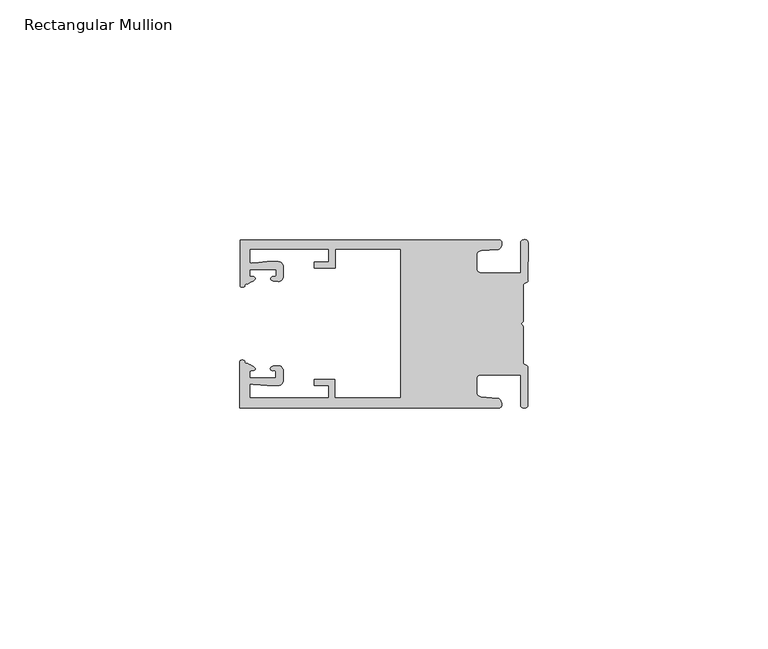
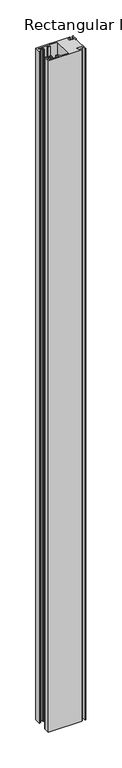
"""IFC4 building model written with IfcOpenShell, lengths in millimetres: member geometry, Rectangular Mullion."""

from ifc_helpers import new_model, si_unit, frame, origin, place, context, project, spatial, circle_curve, source, transform, mapped, element, save
from ifc_brep_helpers import plane_surface, cylinder_surface, extruded_surface, spline_curve, advanced_brep


def rectangular_mullion_45af18df(model_context):
    return source(origin(), model_context, "Body", "AdvancedBrep", [
        advanced_brep(
        [(-60.0749377, 17.5111528, 0.0), (-60.0749377, 8.0140787, 0.0), (-59.3252567, 7.7187455, 0.0), (-58.4967974, 8.36785, 0.0), (-58.0726619, 10.1173923, 0.0), (-58.0713101, 11.3673916, 0.0), (-52.5713133, 11.3614437, 0.0), (-52.5726651, 10.1114444, 0.0), (-53.1427626, 8.8955539, 0.0), (-52.0740172, 8.8609044, 0.0), (-51.0729364, 9.8598224, 0.0), (-51.0706653, 11.9598211, 0.0), (-52.0700692, 12.9609024, 0.0), (-54.3905105, 12.9622843, 0.0), (-57.1599646, 12.7230061, 0.0), (-58.0696339, 12.9173907, 0.0), (-58.066768, 15.5673891, 0.0), (-41.5667584, 15.5673891, 0.0), (-41.5695894, 12.9495468, 0.0), (-44.5695877, 12.9527912, 0.0), (-44.5709936, 11.6527919, 0.0), (-40.2709961, 11.6481417, 0.0), (-40.2667576, 15.5673891, 0.0), (-26.6002952, 15.5673891, 0.0), (-26.6002952, -15.4518424, 0.0), (-40.3003032, -15.4518424, 0.0), (-40.2960856, -11.5518447, 0.0), (-44.5960831, -11.5471945, 0.0), (-44.597489, -12.8471938, 0.0), (-41.5974907, -12.8504381, 0.0), (-41.6003025, -15.4504366, 0.0), (-58.1002928, -15.4325927, 0.0), (-58.097427, -12.7825943, 0.0), (-57.1873395, -12.5901776, 0.0), (-54.4184094, -12.8354453, 0.0), (-52.0979705, -12.8390822, 0.0), (-51.0964037, -11.8401649, 0.0), (-51.0941327, -9.7401662, 0.0), (-52.0930507, -8.7390853, 0.0), (-53.1618685, -8.7714231, 0.0), (-52.5944022, -9.9885439, 0.0), (-52.595754, -11.2385431, 0.0), (-58.0957508, -11.2325952, 0.0), (-58.094399, -9.9825959, 0.0), (-58.5147494, -8.2321403, 0.0), (-59.3418028, -7.5812455, 0.0), (-60.0921208, -7.8749565, 0.0), (-60.0921208, -17.4888267, 0.0), (-6.1024861, -17.4888267, 0.0), (-6.5218639, -15.488372, 0.0), (-9.8784944, -15.2205466, 0.0), (-10.7989567, -14.2226333, 0.0), (-10.7961029, -11.5837474, 0.0), (-9.8734844, -10.5878272, 0.0), (-1.5950266, -10.5934991, 0.0), (-1.601948, -16.9936935, 0.0), (-0.1017194, -16.7830581, 0.0), (-0.0933208, -9.0170082, 0.0), (-1.0923837, -8.1499018, 0.0), (-1.0842165, -0.5977972, 0.0), (-1.0829111, 0.6093089, 0.0), (-1.0747439, 8.1614135, 0.0), (-0.0738079, 9.026357, 0.0), (-0.0654093, 16.7924069, 0.0), (-1.5651789, 17.0062866, 0.0), (-1.5651789, 10.6183257, 0.0), (-9.8505511, 10.6183257, 0.0), (-10.7710133, 11.6162391, 0.0), (-10.7681595, 14.255125, 0.0), (-9.845541, 15.2510452, 0.0), (-6.4883391, 15.5116099, 0.0), (-6.0646356, 17.5111528, 0.0), (-60.0749377, 17.5111528, -1142.5000002), (-6.0646356, 17.5111528, -1142.5000002), (-6.4883391, 15.5116099, -1142.5000002), (-9.845541, 15.2510452, -1142.5000002), (-10.7681595, 14.255125, -1142.5000002), (-10.7710133, 11.6162391, -1142.5000002), (-9.8505511, 10.6183257, -1142.5000002), (-1.5651789, 10.6183257, -1142.5000002), (-1.5651789, 17.0062866, -1142.5000002), (-0.0654093, 16.7924069, -1142.5000002), (-0.0738079, 9.026357, -1142.5000002), (-1.0747439, 8.1614135, -1142.5000002), (-1.0829111, 0.6093089, -1142.5000002), (-1.0842165, -0.5977972, -1142.5000002), (-1.0923837, -8.1499018, -1142.5000002), (-0.0933208, -9.0170082, -1142.5000002), (-0.1017194, -16.7830581, -1142.5000002), (-1.601948, -16.9936935, -1142.5000002), (-1.5950266, -10.5934991, -1142.5000002), (-9.8734844, -10.5878272, -1142.5000002), (-10.7961029, -11.5837474, -1142.5000002), (-10.7989567, -14.2226333, -1142.5000002), (-9.8784944, -15.2205466, -1142.5000002), (-6.5218639, -15.488372, -1142.5000002), (-6.1024861, -17.4888267, -1142.5000002), (-60.0921208, -17.4888267, -1142.5000002), (-60.0921208, -7.8749565, -1142.5000002), (-59.3418028, -7.5812455, -1142.5000002), (-58.5147494, -8.2321403, -1142.5000002), (-58.094399, -9.9825959, -1142.5000002), (-58.0957508, -11.2325952, -1142.5000002), (-52.595754, -11.2385431, -1142.5000002), (-52.5944022, -9.9885439, -1142.5000002), (-53.1618685, -8.7714231, -1142.5000002), (-52.0930507, -8.7390853, -1142.5000002), (-51.0941327, -9.7401662, -1142.5000002), (-51.0964037, -11.8401649, -1142.5000002), (-52.0979705, -12.8390823, -1142.5000002), (-54.4184094, -12.8354453, -1142.5000002), (-57.1873395, -12.5901776, -1142.5000002), (-58.097427, -12.7825943, -1142.5000002), (-58.1002928, -15.4325927, -1142.5000002), (-41.6003025, -15.4504366, -1142.5000002), (-41.5974907, -12.8504381, -1142.5000002), (-44.597489, -12.8471938, -1142.5000002), (-44.5960831, -11.5471945, -1142.5000002), (-40.2960856, -11.5518447, -1142.5000002), (-40.3003032, -15.4518424, -1142.5000002), (-26.6002952, -15.4518424, -1142.5000002), (-26.6002952, 15.5673891, -1142.5000002), (-40.2667576, 15.5673891, -1142.5000002), (-40.2709961, 11.6481417, -1142.5000002), (-44.5709936, 11.6527919, -1142.5000002), (-44.5695877, 12.9527912, -1142.5000002), (-41.5695894, 12.9495468, -1142.5000002), (-41.5667584, 15.5673891, -1142.5000002), (-58.066768, 15.5673891, -1142.5000002), (-58.0696339, 12.9173907, -1142.5000002), (-57.1599646, 12.7230061, -1142.5000002), (-54.3905105, 12.9622843, -1142.5000002), (-52.0700692, 12.9609023, -1142.5000002), (-51.0706653, 11.9598211, -1142.5000002), (-51.0729364, 9.8598224, -1142.5000002), (-52.0740172, 8.8609044, -1142.5000002), (-53.1427626, 8.8955539, -1142.5000002), (-52.5726651, 10.1114444, -1142.5000002), (-52.5713133, 11.3614437, -1142.5000002), (-58.0713101, 11.3673916, -1142.5000002), (-58.0726619, 10.1173923, -1142.5000002), (-58.4967974, 8.36785, -1142.5000002), (-59.3252567, 7.7187455, -1142.5000002), (-60.0749377, 8.0140787, -1142.5000002)],
        [
            (0, 1),
            (1, 2, spline_curve(3, [(-60.0749377, 8.0140787, 0.0), (-60.075233123, 7.740904774, 0.0), (-59.825339491, 7.642460332, 0.0), (-59.3252567, 7.7187455, 0.0)], [4, 4], [0.0, 0.0019169337574178654])),
            (2, 3, spline_curve(3, [(-59.3252567, 7.7187455, 0.0), (-59.094460914, 7.75918372, 0.0), (-59.054835463, 7.902257199, 0.0), (-59.05559987, 8.233305614, 0.0), (-59.138729113, 8.4134359, 0.0), (-58.4967974, 8.36785, 0.0)], [4, 2, 4], [0.0, 0.0010199524164107188, 0.0024874514725970356])),
            (3, 4, spline_curve(3, [(-58.4967974, 8.36785, 0.0), (-57.022393378, 9.053435667, 0.0), (-56.827266887, 9.364828726, 0.0), (-56.982213078, 9.742623404, 0.0), (-57.177375211, 9.855581791, 0.0), (-57.697928101, 9.887955071, 0.0), (-57.997449153, 9.835475348, 0.0), (-58.0726619, 10.1173923, 0.0)], [4, 2, 2, 4], [0.0, 0.003269869179570428, 0.005490050486237203, 0.0073545767114364426])),
            (4, 5),
            (5, 6),
            (6, 7),
            (7, 8, spline_curve(3, [(-52.5726651, 10.1114444, 0.0), (-52.667195519, 9.760172042, 0.0), (-52.937094388, 9.861877724, 0.0), (-53.356237032, 9.895631753, 0.0), (-53.491940439, 9.811038713, 0.0), (-53.761900775, 9.511438033, 0.0), (-53.892893546, 9.278787104, 0.0), (-53.1427626, 8.8955539, 0.0)], [4, 2, 2, 4], [0.0, 0.001593963049934732, 0.0033360256320283306, 0.005339140673503943])),
            (8, 9),
            (9, 10, circle_curve(frame((-52.0729358, 9.8609038, 0.0), z_axis=(0.0, 0.0, 1.0), x_axis=(-0.0010814451158600304, -0.9999994152380598, 0.0)), 1.0)),
            (10, 11),
            (11, 12, circle_curve(frame((-52.0706647, 11.9609026, 0.0), z_axis=(0.0, 0.0, 1.0), x_axis=(-0.0010814451158600304, -0.9999994152380598, 0.0)), 1.0)),
            (12, 13),
            (13, 14),
            (14, 15, spline_curve(3, [(-57.1599646, 12.7230061, 0.0), (-57.631533854, 12.682262968, 0.0), (-58.018602985, 12.477800124, 0.0), (-58.0696339, 12.9173907, 0.0)], [4, 4], [0.0, 0.0014803385355886016])),
            (15, 16),
            (16, 17),
            (17, 18),
            (18, 19),
            (19, 20),
            (20, 21),
            (21, 22),
            (22, 23),
            (23, 24),
            (24, 25),
            (25, 26),
            (26, 27),
            (27, 28),
            (28, 29),
            (29, 30),
            (30, 31),
            (31, 32),
            (32, 33, spline_curve(3, [(-58.097427, -12.7825943, 0.0), (-58.045445419, -12.343115126, 0.0), (-57.658819528, -12.548414611, 0.0), (-57.1873395, -12.5901776, 0.0)], [4, 4], [0.0, 0.0014803385355886016])),
            (33, 34),
            (34, 35),
            (35, 36, circle_curve(frame((-52.0964031, -11.8390835, 0.0), z_axis=(0.0, 0.0, 1.0), x_axis=(0.0010814451158600304, 0.9999994152380598, 0.0)), 1.0)),
            (36, 37),
            (37, 38, circle_curve(frame((-52.0941321, -9.7390847, 0.0), z_axis=(0.0, 0.0, 1.0), x_axis=(0.0010814451158600304, 0.9999994152380598, 0.0)), 1.0)),
            (38, 39),
            (39, 40, spline_curve(3, [(-53.1618685, -8.7714231, 0.0), (-53.912826582, -9.153032958, 0.0), (-53.782337352, -9.385966711, 0.0), (-53.51302565, -9.686150585, 0.0), (-53.377505444, -9.771037009, 0.0), (-52.958290774, -9.738189618, 0.0), (-52.688172635, -9.637067904, 0.0), (-52.5944022, -9.9885439, 0.0)], [4, 2, 2, 4], [0.0, 0.002003115041475612, 0.0037451776235692107, 0.005339140673503943])),
            (40, 41),
            (41, 42),
            (42, 43),
            (43, 44, spline_curve(3, [(-58.094399, -9.9825959, 0.0), (-58.018576674, -9.700842284, 0.0), (-57.719169706, -9.753969703, 0.0), (-57.198548014, -9.722722397, 0.0), (-57.003142178, -9.61018632, 0.0), (-56.847379222, -9.232727657, 0.0), (-57.041831673, -8.920913336, 0.0), (-58.5147494, -8.2321403, 0.0)], [4, 2, 2, 4], [0.0, 0.0018645262251992395, 0.004084707531866015, 0.0073545767114364426])),
            (44, 45, spline_curve(3, [(-58.5147494, -8.2321403, 0.0), (-59.156778208, -8.276337666, 0.0), (-59.073259494, -8.096387681, 0.0), (-59.071779067, -7.765341694, 0.0), (-59.111095017, -7.622182811, 0.0), (-59.3418028, -7.5812455, 0.0)], [4, 2, 4], [0.0, 0.0014674990561863168, 0.0024874514725970356])),
            (45, 46, spline_curve(3, [(-59.3418028, -7.5812455, 0.0), (-59.841719425, -7.503878887, 0.0), (-60.091825377, -7.601782574, 0.0), (-60.0921208, -7.8749565, 0.0)], [4, 4], [0.0, 0.0019169337574178654])),
            (46, 47),
            (47, 48),
            (48, 49, spline_curve(3, [(-6.1024861, -17.4888267, 0.0), (-5.074532184, -17.418062188, 0.0), (-5.631140689, -15.411414367, 0.0), (-6.5218639, -15.488372, 0.0)], [4, 4], [0.0, 0.0043819361547461745])),
            (49, 50),
            (50, 51, spline_curve(3, [(-9.8784944, -15.2205466, 0.0), (-10.440691543, -15.150698463, 0.0), (-10.74751234, -14.818060727, 0.0), (-10.7989567, -14.2226333, 0.0)], [4, 4], [0.0, 0.0028645797420738927])),
            (51, 52),
            (52, 53, spline_curve(3, [(-10.7961029, -11.5837474, 0.0), (-10.743370817, -10.988432634, 0.0), (-10.435831301, -10.656459204, 0.0), (-9.8734844, -10.5878272, 0.0)], [4, 4], [0.0, 0.0028645797420738927])),
            (53, 54),
            (54, 55),
            (55, 56, spline_curve(3, [(-1.601948, -16.9936935, 0.0), (-1.655676874, -17.600261454, 0.0), (-0.043737403, -17.912795581, 0.0), (-0.1017194, -16.7830581, 0.0)], [4, 4], [0.0, 0.0036987374396357936])),
            (56, 57),
            (57, 58, spline_curve(3, [(-0.0933208, -9.0170082, 0.0), (-0.018818183, -8.695886697, 0.0), (-1.193434327, -8.459763043, 0.0), (-1.0923837, -8.1499018, 0.0)], [4, 4], [0.0, 0.002027216749630121])),
            (58, 59),
            (59, 60, spline_curve(3, [(-1.0842165, -0.5977972, 0.0), (-1.013223198, -0.445980437, 0.0), (-1.487945123, -0.206736825, 0.0), (-1.487409651, 0.231097965, 0.0), (-0.999110985, 0.429090391, 0.0), (-1.0829111, 0.6093089, 0.0)], [4, 2, 4], [0.0, 0.00249866671847065, 0.005031402919736269])),
            (60, 61),
            (61, 62, spline_curve(3, [(-1.0747439, 8.1614135, 0.0), (-1.175124095, 8.47149258, 0.0), (-7e-09, 8.705075107, 0.0), (-0.0738079, 9.026357, 0.0)], [4, 4], [0.0, 0.002027216749630121])),
            (62, 63),
            (63, 64, spline_curve(3, [(-0.0654093, 16.7924069, 0.0), (-0.004983942, 17.92201633, 0.0), (-1.617595709, 17.612969344, 0.0), (-1.5651789, 17.0062866, 0.0)], [4, 4], [0.0, 0.0036987374396357936])),
            (64, 65),
            (65, 66),
            (66, 67, spline_curve(3, [(-9.8505511, 10.6183257, 0.0), (-10.412748243, 10.688173837, 0.0), (-10.71956894, 11.020811673, 0.0), (-10.7710133, 11.6162391, 0.0)], [4, 4], [0.0, 0.0028645797420738927])),
            (67, 68),
            (68, 69, spline_curve(3, [(-10.7681595, 14.255125, 0.0), (-10.715427417, 14.850439766, 0.0), (-10.407887901, 15.182413196, 0.0), (-9.845541, 15.2510452, 0.0)], [4, 4], [0.0, 0.0028645797420738927])),
            (69, 70),
            (70, 71, spline_curve(3, [(-6.4883391, 15.5116099, 0.0), (-5.597784423, 15.432725911, 0.0), (-5.036837144, 17.438165103, 0.0), (-6.0646356, 17.5111528, 0.0)], [4, 4], [0.0, 0.0043819361547461745])),
            (71, 0),
            (72, 73),
            (73, 74, spline_curve(3, [(-6.0646356, 17.5111528, -1142.5000002), (-5.036837144, 17.438165103, -1142.5000002), (-5.597784423, 15.432725911, -1142.5000002), (-6.4883391, 15.5116099, -1142.5000002)], [4, 4], [0.0, 0.0043819361547461745])),
            (74, 75),
            (75, 76, spline_curve(3, [(-9.845541, 15.2510452, -1142.5000002), (-10.407887901, 15.182413196, -1142.5000002), (-10.715427417, 14.850439766, -1142.5000002), (-10.7681595, 14.255125, -1142.5000002)], [4, 4], [0.0, 0.0028645797420738927])),
            (76, 77),
            (77, 78, spline_curve(3, [(-10.7710133, 11.6162391, -1142.5000002), (-10.71956894, 11.020811673, -1142.5000002), (-10.412748243, 10.688173837, -1142.5000002), (-9.8505511, 10.6183257, -1142.5000002)], [4, 4], [0.0, 0.0028645797420738927])),
            (78, 79),
            (79, 80),
            (80, 81, spline_curve(3, [(-1.5651789, 17.0062866, -1142.5000002), (-1.617595709, 17.612969344, -1142.5000002), (-0.004983942, 17.92201633, -1142.5000002), (-0.0654093, 16.7924069, -1142.5000002)], [4, 4], [0.0, 0.0036987374396357936])),
            (81, 82),
            (82, 83, spline_curve(3, [(-0.0738079, 9.026357, -1142.5000002), (-7e-09, 8.705075107, -1142.5000002), (-1.175124095, 8.47149258, -1142.5000002), (-1.0747439, 8.1614135, -1142.5000002)], [4, 4], [0.0, 0.002027216749630121])),
            (83, 84),
            (84, 85, spline_curve(3, [(-1.0829111, 0.6093089, -1142.5000002), (-0.999110985, 0.429090391, -1142.5000002), (-1.487409651, 0.231097965, -1142.5000002), (-1.487945123, -0.206736825, -1142.5000002), (-1.013223198, -0.445980437, -1142.5000002), (-1.0842165, -0.5977972, -1142.5000002)], [4, 2, 4], [0.0, 0.002532736201265619, 0.005031402919736269])),
            (85, 86),
            (86, 87, spline_curve(3, [(-1.0923837, -8.1499018, -1142.5000002), (-1.193434327, -8.459763043, -1142.5000002), (-0.018818183, -8.695886697, -1142.5000002), (-0.0933208, -9.0170082, -1142.5000002)], [4, 4], [0.0, 0.002027216749630121])),
            (87, 88),
            (88, 89, spline_curve(3, [(-0.1017194, -16.7830581, -1142.5000002), (-0.043737403, -17.912795581, -1142.5000002), (-1.655676874, -17.600261454, -1142.5000002), (-1.601948, -16.9936935, -1142.5000002)], [4, 4], [0.0, 0.0036987374396357936])),
            (89, 90),
            (90, 91),
            (91, 92, spline_curve(3, [(-9.8734844, -10.5878272, -1142.5000002), (-10.435831301, -10.656459204, -1142.5000002), (-10.743370817, -10.988432634, -1142.5000002), (-10.7961029, -11.5837474, -1142.5000002)], [4, 4], [0.0, 0.0028645797420738927])),
            (92, 93),
            (93, 94, spline_curve(3, [(-10.7989567, -14.2226333, -1142.5000002), (-10.74751234, -14.818060727, -1142.5000002), (-10.440691543, -15.150698463, -1142.5000002), (-9.8784944, -15.2205466, -1142.5000002)], [4, 4], [0.0, 0.0028645797420738927])),
            (94, 95),
            (95, 96, spline_curve(3, [(-6.5218639, -15.488372, -1142.5000002), (-5.631140689, -15.411414367, -1142.5000002), (-5.074532184, -17.418062188, -1142.5000002), (-6.1024861, -17.4888267, -1142.5000002)], [4, 4], [0.0, 0.0043819361547461745])),
            (96, 97),
            (97, 98),
            (98, 99, spline_curve(3, [(-60.0921208, -7.8749565, -1142.5000002), (-60.091825377, -7.601782574, -1142.5000002), (-59.841719425, -7.503878887, -1142.5000002), (-59.3418028, -7.5812455, -1142.5000002)], [4, 4], [0.0, 0.0019169337574178654])),
            (99, 100, spline_curve(3, [(-59.3418028, -7.5812455, -1142.5000002), (-59.111095017, -7.622182811, -1142.5000002), (-59.071779067, -7.765341694, -1142.5000002), (-59.073259494, -8.096387681, -1142.5000002), (-59.156778208, -8.276337666, -1142.5000002), (-58.5147494, -8.2321403, -1142.5000002)], [4, 2, 4], [0.0, 0.0010199524164107188, 0.0024874514725970356])),
            (100, 101, spline_curve(3, [(-58.5147494, -8.2321403, -1142.5000002), (-57.041831673, -8.920913336, -1142.5000002), (-56.847379222, -9.232727657, -1142.5000002), (-57.003142178, -9.61018632, -1142.5000002), (-57.198548014, -9.722722397, -1142.5000002), (-57.719169706, -9.753969703, -1142.5000002), (-58.018576674, -9.700842284, -1142.5000002), (-58.094399, -9.9825959, -1142.5000002)], [4, 2, 2, 4], [0.0, 0.003269869179570428, 0.005490050486237203, 0.0073545767114364426])),
            (101, 102),
            (102, 103),
            (103, 104),
            (104, 105, spline_curve(3, [(-52.5944022, -9.9885439, -1142.5000002), (-52.688172635, -9.637067904, -1142.5000002), (-52.958290774, -9.738189618, -1142.5000002), (-53.377505444, -9.771037009, -1142.5000002), (-53.51302565, -9.686150585, -1142.5000002), (-53.782337352, -9.385966711, -1142.5000002), (-53.912826582, -9.153032958, -1142.5000002), (-53.1618685, -8.7714231, -1142.5000002)], [4, 2, 2, 4], [0.0, 0.001593963049934732, 0.0033360256320283306, 0.005339140673503943])),
            (105, 106),
            (106, 107, circle_curve(frame((-52.0941321, -9.7390847, -1142.5000002), z_axis=(0.0, 0.0, -1.0), x_axis=(0.0010814451158600304, 0.9999994152380598, 0.0)), 1.0)),
            (107, 108),
            (108, 109, circle_curve(frame((-52.0964031, -11.8390835, -1142.5000002), z_axis=(0.0, 0.0, -1.0), x_axis=(0.0010814451158600304, 0.9999994152380598, 0.0)), 1.0)),
            (109, 110),
            (110, 111),
            (111, 112, spline_curve(3, [(-57.1873395, -12.5901776, -1142.5000002), (-57.658819528, -12.548414611, -1142.5000002), (-58.045445419, -12.343115126, -1142.5000002), (-58.097427, -12.7825943, -1142.5000002)], [4, 4], [0.0, 0.0014803385355886016])),
            (112, 113),
            (113, 114),
            (114, 115),
            (115, 116),
            (116, 117),
            (117, 118),
            (118, 119),
            (119, 120),
            (120, 121),
            (121, 122),
            (122, 123),
            (123, 124),
            (124, 125),
            (125, 126),
            (126, 127),
            (127, 128),
            (128, 129),
            (129, 130, spline_curve(3, [(-58.0696339, 12.9173907, -1142.5000002), (-58.018602985, 12.477800124, -1142.5000002), (-57.631533854, 12.682262968, -1142.5000002), (-57.1599646, 12.7230061, -1142.5000002)], [4, 4], [0.0, 0.0014803385355886016])),
            (130, 131),
            (131, 132),
            (132, 133, circle_curve(frame((-52.0706647, 11.9609026, -1142.5000002), z_axis=(0.0, 0.0, -1.0), x_axis=(-0.0010814451158600304, -0.9999994152380598, 0.0)), 1.0)),
            (133, 134),
            (134, 135, circle_curve(frame((-52.0729358, 9.8609038, -1142.5000002), z_axis=(0.0, 0.0, -1.0), x_axis=(-0.0010814451158600304, -0.9999994152380598, 0.0)), 1.0)),
            (135, 136),
            (136, 137, spline_curve(3, [(-53.1427626, 8.8955539, -1142.5000002), (-53.892893546, 9.278787104, -1142.5000002), (-53.761900775, 9.511438033, -1142.5000002), (-53.491940439, 9.811038713, -1142.5000002), (-53.356237032, 9.895631753, -1142.5000002), (-52.937094388, 9.861877724, -1142.5000002), (-52.667195519, 9.760172042, -1142.5000002), (-52.5726651, 10.1114444, -1142.5000002)], [4, 2, 2, 4], [0.0, 0.002003115041475612, 0.0037451776235692107, 0.005339140673503943])),
            (137, 138),
            (138, 139),
            (139, 140),
            (140, 141, spline_curve(3, [(-58.0726619, 10.1173923, -1142.5000002), (-57.997449153, 9.835475348, -1142.5000002), (-57.697928101, 9.887955071, -1142.5000002), (-57.177375211, 9.855581791, -1142.5000002), (-56.982213078, 9.742623404, -1142.5000002), (-56.827266887, 9.364828726, -1142.5000002), (-57.022393378, 9.053435667, -1142.5000002), (-58.4967974, 8.36785, -1142.5000002)], [4, 2, 2, 4], [0.0, 0.0018645262251992395, 0.004084707531866015, 0.0073545767114364426])),
            (141, 142, spline_curve(3, [(-58.4967974, 8.36785, -1142.5000002), (-59.138729113, 8.4134359, -1142.5000002), (-59.05559987, 8.233305614, -1142.5000002), (-59.054835463, 7.902257199, -1142.5000002), (-59.094460914, 7.75918372, -1142.5000002), (-59.3252567, 7.7187455, -1142.5000002)], [4, 2, 4], [0.0, 0.0014674990561863168, 0.0024874514725970356])),
            (142, 143, spline_curve(3, [(-59.3252567, 7.7187455, -1142.5000002), (-59.825339491, 7.642460332, -1142.5000002), (-60.075233123, 7.740904774, -1142.5000002), (-60.0749377, 8.0140787, -1142.5000002)], [4, 4], [0.0, 0.0019169337574178654])),
            (143, 72),
            (0, 72),
            (143, 1),
            (142, 2),
            (141, 3),
            (140, 4),
            (139, 5),
            (138, 6),
            (137, 7),
            (136, 8),
            (135, 9),
            (134, 10),
            (133, 11),
            (132, 12),
            (131, 13),
            (130, 14),
            (129, 15),
            (128, 16),
            (127, 17),
            (126, 18),
            (125, 19),
            (124, 20),
            (123, 21),
            (122, 22),
            (121, 23),
            (120, 24),
            (119, 25),
            (118, 26),
            (117, 27),
            (116, 28),
            (115, 29),
            (114, 30),
            (113, 31),
            (112, 32),
            (111, 33),
            (110, 34),
            (109, 35),
            (108, 36),
            (107, 37),
            (106, 38),
            (105, 39),
            (104, 40),
            (103, 41),
            (102, 42),
            (101, 43),
            (100, 44),
            (99, 45),
            (98, 46),
            (97, 47),
            (96, 48),
            (95, 49),
            (94, 50),
            (93, 51),
            (92, 52),
            (91, 53),
            (90, 54),
            (89, 55),
            (88, 56),
            (87, 57),
            (86, 58),
            (85, 59),
            (84, 60),
            (83, 61),
            (82, 62),
            (81, 63),
            (80, 64),
            (79, 65),
            (78, 66),
            (77, 67),
            (76, 68),
            (75, 69),
            (74, 70),
            (73, 71),
        ],
        [
            plane_surface(frame((0.0, -62.5853181, 0.0), z_axis=(0.0, 0.0, 1.0), x_axis=(-1.0, 0.0, 0.0))),
            plane_surface(frame((0.0, -62.5853181, -1142.5000002), z_axis=(0.0, 0.0, -1.0), x_axis=(-1.0, 0.0, 0.0))),
            plane_surface(frame((-60.0749377, 17.5111528, 0.0), z_axis=(-1.0, 0.0, 0.0), x_axis=(0.0, 0.0, -1.0))),
            extruded_surface(spline_curve(3, [(-60.0749377, 8.0140787, -1142.5000002), (-60.075233123, 7.740904774, -1142.5000002), (-59.825339491, 7.642460332, -1142.5000002), (-59.3252567, 7.7187455, -1142.5000002)], [4, 4], [0.0, 0.0019169337574178654]), (0.0, 0.0, 1142.5000002), 1142.5000002),
            extruded_surface(spline_curve(3, [(-59.3252567, 7.7187455, -1142.5000002), (-59.094460914, 7.75918372, -1142.5000002), (-59.054835463, 7.902257199, -1142.5000002), (-59.05559987, 8.233305614, -1142.5000002), (-59.138729113, 8.4134359, -1142.5000002), (-58.4967974, 8.36785, -1142.5000002)], [4, 2, 4], [0.0, 0.0010199524164107188, 0.0024874514725970356]), (0.0, 0.0, 1142.5000002), 1142.5000002),
            extruded_surface(spline_curve(3, [(-58.4967974, 8.36785, -1142.5000002), (-57.022393378, 9.053435667, -1142.5000002), (-56.827266887, 9.364828726, -1142.5000002), (-56.982213078, 9.742623404, -1142.5000002), (-57.177375211, 9.855581791, -1142.5000002), (-57.697928101, 9.887955071, -1142.5000002), (-57.997449153, 9.835475348, -1142.5000002), (-58.0726619, 10.1173923, -1142.5000002)], [4, 2, 2, 4], [0.0, 0.003269869179570428, 0.005490050486237203, 0.0073545767114364426]), (0.0, 0.0, 1142.5000002), 1142.5000002),
            plane_surface(frame((-58.0726619, 10.1173923, 0.0), z_axis=(0.9999994152380598, -0.0010814451158634145, 0.0), x_axis=(0.0, 0.0, -1.0))),
            plane_surface(frame((-58.0713101, 11.3673916, 0.0), z_axis=(-0.0010814451158616418, -0.9999994152380598, 0.0), x_axis=(0.0, 0.0, -1.0))),
            plane_surface(frame((-52.5713133, 11.3614437, 0.0), z_axis=(-0.9999994152380598, 0.0010814451158643293, 0.0), x_axis=(0.0, 0.0, -1.0))),
            extruded_surface(spline_curve(3, [(-52.5726651, 10.1114444, -1142.5000002), (-52.667195519, 9.760172042, -1142.5000002), (-52.937094388, 9.861877724, -1142.5000002), (-53.356237032, 9.895631753, -1142.5000002), (-53.491940439, 9.811038713, -1142.5000002), (-53.761900775, 9.511438033, -1142.5000002), (-53.892893546, 9.278787104, -1142.5000002), (-53.1427626, 8.8955539, -1142.5000002)], [4, 2, 2, 4], [0.0, 0.001593963049934732, 0.0033360256320283306, 0.005339140673503943]), (0.0, 0.0, 1142.5000002), 1142.5000002),
            plane_surface(frame((-53.1427626, 8.8955539, 0.0), z_axis=(-0.032403661401520414, -0.9994748634797054, 0.0), x_axis=(0.0, 0.0, -1.0))),
            cylinder_surface(frame((-52.0729358, 9.8609038, 0.0), z_axis=(0.0, 0.0, 1.0000000000000002), x_axis=(-0.0010814451158600304, -0.9999994152380598, 0.0)), 1.0),
            plane_surface(frame((-51.0729364, 9.8598224, 0.0), z_axis=(0.9999994152380598, -0.001081445115864059, 0.0), x_axis=(0.0, 0.0, -1.0))),
            cylinder_surface(frame((-52.0706647, 11.9609026, 0.0), z_axis=(0.0, 0.0, 1.0000000000000002), x_axis=(-0.0010814451158600304, -0.9999994152380598, 0.0)), 1.0),
            plane_surface(frame((-52.0700692, 12.9609023, 0.0), z_axis=(0.0005955716436318007, 0.999999822647193, 0.0), x_axis=(0.0, 0.0, -1.0))),
            plane_surface(frame((-54.3905105, 12.9622843, 0.0), z_axis=(-0.08607836189159865, 0.9962883697073147, 0.0), x_axis=(0.0, 0.0, -1.0))),
            extruded_surface(spline_curve(3, [(-57.1599646, 12.7230061, -1142.5000002), (-57.631533854, 12.682262968, -1142.5000002), (-58.018602985, 12.477800124, -1142.5000002), (-58.0696339, 12.9173907, -1142.5000002)], [4, 4], [0.0, 0.0014803385355886016]), (0.0, 0.0, 1142.5000002), 1142.5000002),
            plane_surface(frame((-58.0696339, 12.9173907, 0.0), z_axis=(0.9999994152380598, -0.0010814451158629996, 0.0), x_axis=(0.0, 0.0, -1.0))),
            plane_surface(frame((-58.066768, 15.5673891, 0.0), z_axis=(0.0, -1.0, 0.0), x_axis=(0.0, 0.0, -1.0))),
            plane_surface(frame((-41.5667584, 15.5673891, 0.0), z_axis=(-0.9999994152380598, 0.0010814451158636304, 0.0), x_axis=(0.0, 0.0, -1.0))),
            plane_surface(frame((-41.5695894, 12.9495468, 0.0), z_axis=(0.0010814451158615687, 0.9999994152380598, 0.0), x_axis=(0.0, 0.0, -1.0))),
            plane_surface(frame((-44.5695877, 12.9527912, 0.0), z_axis=(-0.9999994152380598, 0.0010814451158626742, 0.0), x_axis=(0.0, 0.0, -1.0))),
            plane_surface(frame((-44.5709936, 11.6527919, 0.0), z_axis=(-0.001081445115861604, -0.9999994152380598, 0.0), x_axis=(0.0, 0.0, -1.0))),
            plane_surface(frame((-40.2709961, 11.6481417, 0.0), z_axis=(0.9999994152380598, -0.001081445115863507, 0.0), x_axis=(0.0, 0.0, -1.0))),
            plane_surface(frame((-40.2667576, 15.5673891, 0.0), z_axis=(0.0, -1.0, 0.0), x_axis=(0.0, 0.0, -1.0))),
            plane_surface(frame((-26.6002952, 15.5673891, 0.0), z_axis=(-1.0, 0.0, 0.0), x_axis=(0.0, 0.0, -1.0))),
            plane_surface(frame((-26.6002952, -15.4518424, 0.0), z_axis=(0.0, 1.0, 0.0), x_axis=(0.0, 0.0, -1.0))),
            plane_surface(frame((-40.3003032, -15.4518424, 0.0), z_axis=(0.9999994152380598, -0.0010814451158565538, 0.0), x_axis=(0.0, 0.0, -1.0))),
            plane_surface(frame((-40.2960856, -11.5518447, 0.0), z_axis=(0.0010814451158584568, 0.9999994152380598, 0.0), x_axis=(0.0, 0.0, -1.0))),
            plane_surface(frame((-44.5960831, -11.5471945, 0.0), z_axis=(-0.9999994152380598, 0.0010814451158573867, 0.0), x_axis=(0.0, 0.0, -1.0))),
            plane_surface(frame((-44.597489, -12.8471938, 0.0), z_axis=(-0.0010814451158584922, -0.9999994152380598, 0.0), x_axis=(0.0, 0.0, -1.0))),
            plane_surface(frame((-41.5974907, -12.8504381, 0.0), z_axis=(-0.9999994152380598, 0.0010814451158564305, 0.0), x_axis=(0.0, 0.0, -1.0))),
            plane_surface(frame((-41.6003025, -15.4504366, 0.0), z_axis=(0.0010814451158583872, 0.9999994152380598, 0.0), x_axis=(0.0, 0.0, -1.0))),
            plane_surface(frame((-58.1002928, -15.4325927, 0.0), z_axis=(0.9999994152380598, -0.0010814451158570612, 0.0), x_axis=(0.0, 0.0, -1.0))),
            extruded_surface(spline_curve(3, [(-58.097427, -12.7825943, -1142.5000002), (-58.045445419, -12.343115126, -1142.5000002), (-57.658819528, -12.548414611, -1142.5000002), (-57.1873395, -12.5901776, -1142.5000002)], [4, 4], [0.0, 0.0014803385355886016]), (0.0, 0.0, 1142.5000002), 1142.5000002),
            plane_surface(frame((-57.1873395, -12.5901776, 0.0), z_axis=(-0.0882330216729926, -0.9960998614026876, 0.0), x_axis=(0.0, 0.0, -1.0))),
            plane_surface(frame((-54.4184094, -12.8354453, 0.0), z_axis=(-0.0015673183327880543, -0.9999987717558677, 0.0), x_axis=(0.0, 0.0, -1.0))),
            cylinder_surface(frame((-52.0964031, -11.8390835, 0.0), z_axis=(0.0, 0.0, 1.0000000000000002), x_axis=(0.0010814451158600304, 0.9999994152380598, 0.0)), 1.0),
            plane_surface(frame((-51.0964037, -11.8401649, 0.0), z_axis=(0.9999994152380598, -0.001081445115856002, 0.0), x_axis=(0.0, 0.0, -1.0))),
            cylinder_surface(frame((-52.0941321, -9.7390847, 0.0), z_axis=(0.0, 0.0, 1.0000000000000002), x_axis=(0.0010814451158600304, 0.9999994152380598, 0.0)), 1.0),
            plane_surface(frame((-52.0930507, -8.7390853, 0.0), z_axis=(-0.030241832452872642, 0.9995426111826812, 0.0), x_axis=(0.0, 0.0, -1.0))),
            extruded_surface(spline_curve(3, [(-53.1618685, -8.7714231, -1142.5000002), (-53.912826582, -9.153032958, -1142.5000002), (-53.782337352, -9.385966711, -1142.5000002), (-53.51302565, -9.686150585, -1142.5000002), (-53.377505444, -9.771037009, -1142.5000002), (-52.958290774, -9.738189618, -1142.5000002), (-52.688172635, -9.637067904, -1142.5000002), (-52.5944022, -9.9885439, -1142.5000002)], [4, 2, 2, 4], [0.0, 0.002003115041475612, 0.0037451776235692107, 0.005339140673503943]), (0.0, 0.0, 1142.5000002), 1142.5000002),
            plane_surface(frame((-52.5944022, -9.9885439, 0.0), z_axis=(-0.9999994152380598, 0.0010814451158557316, 0.0), x_axis=(0.0, 0.0, -1.0))),
            plane_surface(frame((-52.595754, -11.2385431, 0.0), z_axis=(0.001081445115858419, 0.9999994152380598, 0.0), x_axis=(0.0, 0.0, -1.0))),
            plane_surface(frame((-58.0957508, -11.2325952, 0.0), z_axis=(0.9999994152380598, -0.0010814451158566464, 0.0), x_axis=(0.0, 0.0, -1.0))),
            extruded_surface(spline_curve(3, [(-58.094399, -9.9825959, -1142.5000002), (-58.018576674, -9.700842284, -1142.5000002), (-57.719169706, -9.753969703, -1142.5000002), (-57.198548014, -9.722722397, -1142.5000002), (-57.003142178, -9.61018632, -1142.5000002), (-56.847379222, -9.232727657, -1142.5000002), (-57.041831673, -8.920913336, -1142.5000002), (-58.5147494, -8.2321403, -1142.5000002)], [4, 2, 2, 4], [0.0, 0.0018645262251992395, 0.004084707531866015, 0.0073545767114364426]), (0.0, 0.0, 1142.5000002), 1142.5000002),
            extruded_surface(spline_curve(3, [(-58.5147494, -8.2321403, -1142.5000002), (-59.156778208, -8.276337666, -1142.5000002), (-59.073259494, -8.096387681, -1142.5000002), (-59.071779067, -7.765341694, -1142.5000002), (-59.111095017, -7.622182811, -1142.5000002), (-59.3418028, -7.5812455, -1142.5000002)], [4, 2, 4], [0.0, 0.0014674990561863168, 0.0024874514725970356]), (0.0, 0.0, 1142.5000002), 1142.5000002),
            extruded_surface(spline_curve(3, [(-59.3418028, -7.5812455, -1142.5000002), (-59.841719425, -7.503878887, -1142.5000002), (-60.091825377, -7.601782574, -1142.5000002), (-60.0921208, -7.8749565, -1142.5000002)], [4, 4], [0.0, 0.0019169337574178654]), (0.0, 0.0, 1142.5000002), 1142.5000002),
            plane_surface(frame((-60.0921208, -7.8749565, 0.0), z_axis=(-1.0, 0.0, 0.0), x_axis=(0.0, 0.0, -1.0))),
            plane_surface(frame((-60.0921208, -17.4888267, 0.0), z_axis=(0.0, -1.0, 0.0), x_axis=(0.0, 0.0, -1.0))),
            extruded_surface(spline_curve(3, [(-6.1024861, -17.4888267, -1142.5000002), (-5.074532184, -17.418062188, -1142.5000002), (-5.631140689, -15.411414367, -1142.5000002), (-6.5218639, -15.488372, -1142.5000002)], [4, 4], [0.0, 0.0043819361547461745]), (0.0, 0.0, 1142.5000002), 1142.5000002),
            plane_surface(frame((-6.5218639, -15.488372, 0.0), z_axis=(0.07953716124904908, 0.9968319015663789, 0.0), x_axis=(0.0, 0.0, -1.0))),
            extruded_surface(spline_curve(3, [(-9.8784944, -15.2205466, -1142.5000002), (-10.440691543, -15.150698463, -1142.5000002), (-10.74751234, -14.818060727, -1142.5000002), (-10.7989567, -14.2226333, -1142.5000002)], [4, 4], [0.0, 0.0028645797420738927]), (0.0, 0.0, 1142.5000002), 1142.5000002),
            plane_surface(frame((-10.7989567, -14.2226333, 0.0), z_axis=(0.9999994152380598, -0.0010814451158568247, 0.0), x_axis=(0.0, 0.0, -1.0))),
            extruded_surface(spline_curve(3, [(-10.7961029, -11.5837474, -1142.5000002), (-10.743370817, -10.988432634, -1142.5000002), (-10.435831301, -10.656459204, -1142.5000002), (-9.8734844, -10.5878272, -1142.5000002)], [4, 4], [0.0, 0.0028645797420738927]), (0.0, 0.0, 1142.5000002), 1142.5000002),
            plane_surface(frame((-9.8734844, -10.5878272, 0.0), z_axis=(-0.0006851371995361226, -0.9999997652934814, 0.0), x_axis=(0.0, 0.0, -1.0))),
            plane_surface(frame((-1.5950266, -10.5934991, 0.0), z_axis=(-0.9999994152380598, 0.0010814451158568644, 0.0), x_axis=(0.0, 0.0, -1.0))),
            extruded_surface(spline_curve(3, [(-1.601948, -16.9936935, -1142.5000002), (-1.655676874, -17.600261454, -1142.5000002), (-0.043737403, -17.912795581, -1142.5000002), (-0.1017194, -16.7830581, -1142.5000002)], [4, 4], [0.0, 0.0036987374396357936]), (0.0, 0.0, 1142.5000002), 1142.5000002),
            plane_surface(frame((-0.1017194, -16.7830581, 0.0), z_axis=(0.9999994152380598, -0.001081445115856699, 0.0), x_axis=(0.0, 0.0, -1.0))),
            extruded_surface(spline_curve(3, [(-0.0933208, -9.0170082, -1142.5000002), (-0.018818183, -8.695886697, -1142.5000002), (-1.193434327, -8.459763043, -1142.5000002), (-1.0923837, -8.1499018, -1142.5000002)], [4, 4], [0.0, 0.002027216749630121]), (0.0, 0.0, 1142.5000002), 1142.5000002),
            plane_surface(frame((-1.0923837, -8.1499018, 0.0), z_axis=(0.9999994152380598, -0.0010814451158566698, 0.0), x_axis=(0.0, 0.0, -1.0))),
            extruded_surface(spline_curve(3, [(-1.0842165, -0.5977972, -1142.5000002), (-1.013223198, -0.445980437, -1142.5000002), (-1.487945123, -0.206736825, -1142.5000002), (-1.487409651, 0.231097965, -1142.5000002), (-0.999110985, 0.429090391, -1142.5000002), (-1.0829111, 0.6093089, -1142.5000002)], [4, 2, 4], [0.0, 0.00249866671847065, 0.005031402919736269]), (0.0, 0.0, 1142.5000002), 1142.5000002),
            plane_surface(frame((-1.0829111, 0.6093089, 0.0), z_axis=(0.9999994152380598, -0.001081445115863391, 0.0), x_axis=(0.0, 0.0, -1.0))),
            extruded_surface(spline_curve(3, [(-1.0747439, 8.1614135, -1142.5000002), (-1.175124095, 8.47149258, -1142.5000002), (-7e-09, 8.705075107, -1142.5000002), (-0.0738079, 9.026357, -1142.5000002)], [4, 4], [0.0, 0.002027216749630121]), (0.0, 0.0, 1142.5000002), 1142.5000002),
            plane_surface(frame((-0.0738079, 9.026357, 0.0), z_axis=(0.9999994152380598, -0.001081445115863362, 0.0), x_axis=(0.0, 0.0, -1.0))),
            extruded_surface(spline_curve(3, [(-0.0654093, 16.7924069, -1142.5000002), (-0.004983942, 17.92201633, -1142.5000002), (-1.617595709, 17.612969344, -1142.5000002), (-1.5651789, 17.0062866, -1142.5000002)], [4, 4], [0.0, 0.0036987374396357936]), (0.0, 0.0, 1142.5000002), 1142.5000002),
            plane_surface(frame((-1.5651789, 17.0062866, 0.0), z_axis=(-1.0, 0.0, 0.0), x_axis=(0.0, 0.0, -1.0))),
            plane_surface(frame((-1.5651789, 10.6183257, 0.0), z_axis=(0.0, 1.0, 0.0), x_axis=(0.0, 0.0, -1.0))),
            extruded_surface(spline_curve(3, [(-9.8505511, 10.6183257, -1142.5000002), (-10.412748243, 10.688173837, -1142.5000002), (-10.71956894, 11.020811673, -1142.5000002), (-10.7710133, 11.6162391, -1142.5000002)], [4, 4], [0.0, 0.0028645797420738927]), (0.0, 0.0, 1142.5000002), 1142.5000002),
            plane_surface(frame((-10.7710133, 11.6162391, 0.0), z_axis=(0.9999994152380598, -0.0010814451158632362, 0.0), x_axis=(0.0, 0.0, -1.0))),
            extruded_surface(spline_curve(3, [(-10.7681595, 14.255125, -1142.5000002), (-10.715427417, 14.850439766, -1142.5000002), (-10.407887901, 15.182413196, -1142.5000002), (-9.845541, 15.2510452, -1142.5000002)], [4, 4], [0.0, 0.0028645797420738927]), (0.0, 0.0, 1142.5000002), 1142.5000002),
            plane_surface(frame((-9.845541, 15.2510452, 0.0), z_axis=(0.07738093848608862, -0.9970015999781607, 0.0), x_axis=(0.0, 0.0, -1.0))),
            extruded_surface(spline_curve(3, [(-6.4883391, 15.5116099, -1142.5000002), (-5.597784423, 15.432725911, -1142.5000002), (-5.036837144, 17.438165103, -1142.5000002), (-6.0646356, 17.5111528, -1142.5000002)], [4, 4], [0.0, 0.0043819361547461745]), (0.0, 0.0, 1142.5000002), 1142.5000002),
            plane_surface(frame((-6.0646356, 17.5111528, 0.0), z_axis=(0.0, 1.0, 0.0), x_axis=(0.0, 0.0, -1.0))),
        ],
        [
            (0, [[1, 2, 3, 4, 5, 6, 7, 8, 9, 10, 11, 12, 13, 14, 15, 16, 17, 18, 19, 20, 21, 22, 23, 24, 25, 26, 27, 28, 29, 30, 31, 32, 33, 34, 35, 36, 37, 38, 39, 40, 41, 42, 43, 44, 45, 46, 47, 48, 49, 50, 51, 52, 53, 54, 55, 56, 57, 58, 59, 60, 61, 62, 63, 64, 65, 66, 67, 68, 69, 70, 71, 72]]),
            (1, [[73, 74, 75, 76, 77, 78, 79, 80, 81, 82, 83, 84, 85, 86, 87, 88, 89, 90, 91, 92, 93, 94, 95, 96, 97, 98, 99, 100, 101, 102, 103, 104, 105, 106, 107, 108, 109, 110, 111, 112, 113, 114, 115, 116, 117, 118, 119, 120, 121, 122, 123, 124, 125, 126, 127, 128, 129, 130, 131, 132, 133, 134, 135, 136, 137, 138, 139, 140, 141, 142, 143, 144]]),
            (2, [[-1, 145, -144, 146]]),
            (3, [[-2, -146, -143, 147]]),
            (4, [[-3, -147, -142, 148]]),
            (5, [[-4, -148, -141, 149]]),
            (6, [[-5, -149, -140, 150]]),
            (7, [[-6, -150, -139, 151]]),
            (8, [[-7, -151, -138, 152]]),
            (9, [[-8, -152, -137, 153]]),
            (10, [[-9, -153, -136, 154]]),
            (11, [[-10, -154, -135, 155]]),
            (12, [[-11, -155, -134, 156]]),
            (13, [[-12, -156, -133, 157]]),
            (14, [[-13, -157, -132, 158]]),
            (15, [[-14, -158, -131, 159]]),
            (16, [[-15, -159, -130, 160]]),
            (17, [[-16, -160, -129, 161]]),
            (18, [[-17, -161, -128, 162]]),
            (19, [[-18, -162, -127, 163]]),
            (20, [[-19, -163, -126, 164]]),
            (21, [[-20, -164, -125, 165]]),
            (22, [[-21, -165, -124, 166]]),
            (23, [[-22, -166, -123, 167]]),
            (24, [[-23, -167, -122, 168]]),
            (25, [[-24, -168, -121, 169]]),
            (26, [[-25, -169, -120, 170]]),
            (27, [[-26, -170, -119, 171]]),
            (28, [[-27, -171, -118, 172]]),
            (29, [[-28, -172, -117, 173]]),
            (30, [[-29, -173, -116, 174]]),
            (31, [[-30, -174, -115, 175]]),
            (32, [[-31, -175, -114, 176]]),
            (33, [[-32, -176, -113, 177]]),
            (34, [[-33, -177, -112, 178]]),
            (35, [[-34, -178, -111, 179]]),
            (36, [[-35, -179, -110, 180]]),
            (37, [[-36, -180, -109, 181]]),
            (38, [[-37, -181, -108, 182]]),
            (39, [[-38, -182, -107, 183]]),
            (40, [[-39, -183, -106, 184]]),
            (41, [[-40, -184, -105, 185]]),
            (42, [[-41, -185, -104, 186]]),
            (43, [[-42, -186, -103, 187]]),
            (44, [[-43, -187, -102, 188]]),
            (45, [[-44, -188, -101, 189]]),
            (46, [[-45, -189, -100, 190]]),
            (47, [[-46, -190, -99, 191]]),
            (48, [[-47, -191, -98, 192]]),
            (49, [[-48, -192, -97, 193]]),
            (50, [[-49, -193, -96, 194]]),
            (51, [[-50, -194, -95, 195]]),
            (52, [[-51, -195, -94, 196]]),
            (53, [[-52, -196, -93, 197]]),
            (54, [[-53, -197, -92, 198]]),
            (55, [[-54, -198, -91, 199]]),
            (56, [[-55, -199, -90, 200]]),
            (57, [[-56, -200, -89, 201]]),
            (58, [[-57, -201, -88, 202]]),
            (59, [[-58, -202, -87, 203]]),
            (60, [[-59, -203, -86, 204]]),
            (61, [[-60, -204, -85, 205]]),
            (62, [[-61, -205, -84, 206]]),
            (63, [[-62, -206, -83, 207]]),
            (64, [[-63, -207, -82, 208]]),
            (65, [[-64, -208, -81, 209]]),
            (66, [[-65, -209, -80, 210]]),
            (67, [[-66, -210, -79, 211]]),
            (68, [[-67, -211, -78, 212]]),
            (69, [[-68, -212, -77, 213]]),
            (70, [[-69, -213, -76, 214]]),
            (71, [[-70, -214, -75, 215]]),
            (72, [[-71, -215, -74, 216]]),
            (73, [[-72, -216, -73, -145]]),
        ],
    ),
    ])


if __name__ == "__main__":
    model = new_model("IFC4")
    model_context = context("Model", 3, world=origin())
    ifc_project = project(units=[si_unit("LENGTHUNIT", "METRE", prefix="MILLI")], contexts=[model_context])
    site = spatial("IfcSite", under=ifc_project)
    building = spatial("IfcBuilding", under=site)
    placement = place(None, origin())
    rectangular_mullion_shape = rectangular_mullion_45af18df(model_context)
    element("IfcMember", 1, ObjectType="Rectangular Mullion", at=placement, inside=building, context=model_context, shape_type="MappedRepresentation", body=[
        mapped(rectangular_mullion_shape, transform((0.0, 0.0, 0.0), x_axis=(1.0, 0.0, 0.0), y_axis=(0.0, 1.0, 0.0), z_axis=(0.0, 0.0, 1.0))),
    ])
    save(model, "model.ifc")
